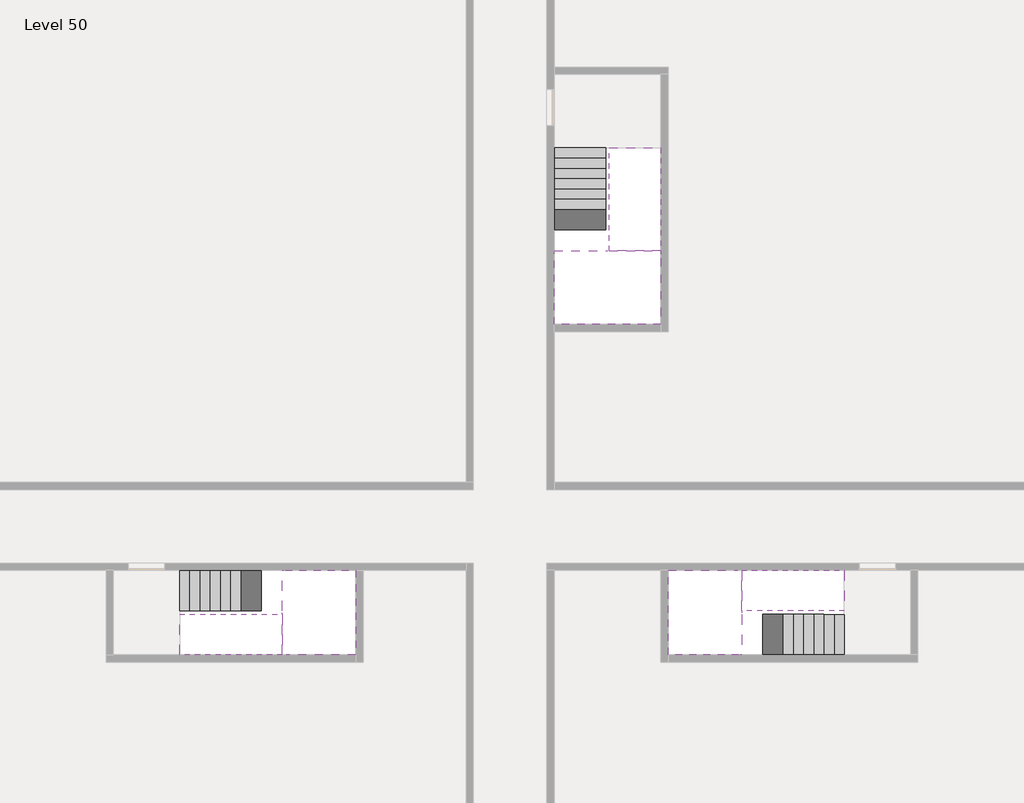
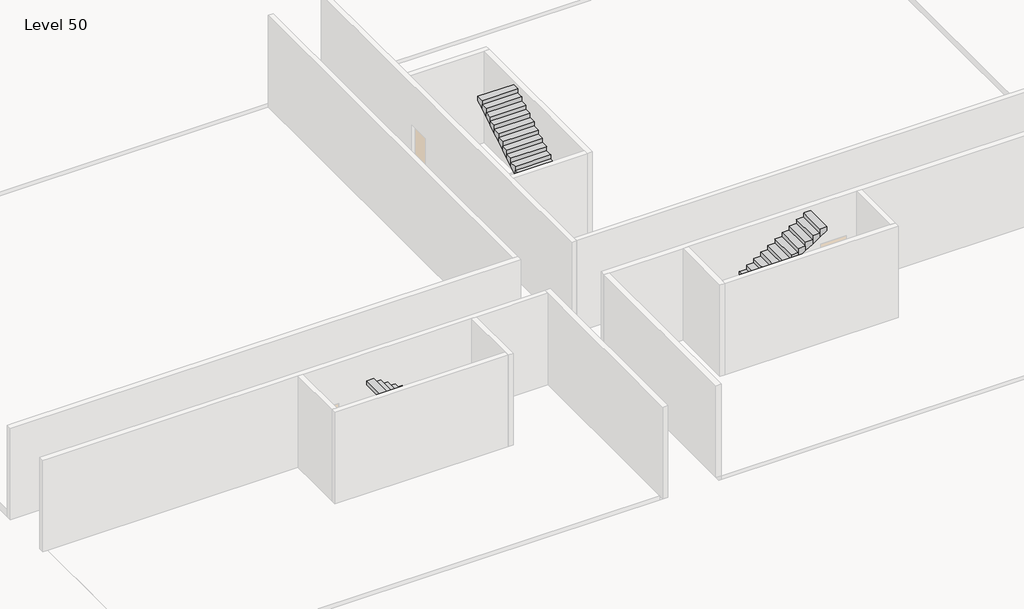
# One storey, part 2 of 2: 6 stair flights, 3 slabs.
"""IFC4 building model written with IfcOpenShell, lengths in millimetres."""

from ifc_helpers import new_model, si_unit, origin, place, context, project, spatial, faceted_brep, element, save

model = new_model("IFC4")

# Units and contexts
model_context = context("Model", 3, world=origin())
ifc_project = project(units=[si_unit("LENGTHUNIT", "METRE", prefix="MILLI")], contexts=[model_context])

# Site, building, storey
site = spatial("IfcSite", under=ifc_project)
building = spatial("IfcBuilding", under=site)
storey = spatial("IfcBuildingStorey", under=building, Name="Level 50", Elevation=186200.0)

# Slabs
placement = place(None, origin())
element("IfcSlab", 1, at=placement, inside=storey, context=model_context, shape_type="Brep", body=[
    faceted_brep([(26790.1058784, -34218.09644, 188100.0), (25390.1058784, -34218.09644, 188100.0), (25390.1058784, -34297.4828763, 188100.0), (25390.1058784, -36218.09644, 188100.0), (28290.1058784, -36218.09644, 188100.0), (28290.1058784, -34418.7100038, 188100.0), (28290.1058784, -34218.09644, 188100.0), (26890.1058784, -34218.09644, 188100.0), (26790.1058784, -34218.09644, 187800.0), (26790.1058784, -34218.09644, 187751.0278478), (25390.1058784, -34218.09644, 187751.0278478), (25390.1058784, -34218.09644, 187927.2727273), (25390.1058784, -34297.4828763, 187800.0), (25390.1058784, -36218.09644, 187800.0), (28290.1058784, -36218.09644, 187800.0), (28290.1058784, -34418.7100038, 187800.0), (28290.1058784, -34218.09644, 187923.7551205), (26890.1058784, -34218.09644, 187923.7551205), (26890.1058784, -34218.09644, 187800.0), (26890.1058784, -34418.7100038, 187800.0), (26790.1058784, -34297.4828763, 187800.0)], [[[0, 1, 2, 3, 4, 5, 6, 7]], [[1, 0, 8, 9, 10, 11]], [[1, 11, 10, 12, 13, 3, 2]], [[4, 3, 13, 14]], [[4, 14, 15, 16, 6, 5]], [[7, 6, 16, 17]], [[0, 7, 17, 18, 8]], [[18, 19, 15, 14, 13, 12, 20, 8]], [[19, 18, 17]], [[20, 12, 10, 9]], [[8, 20, 9]], [[15, 19, 17, 16]]]),
])
element("IfcSlab", 2, at=placement, inside=storey, context=model_context, shape_type="Brep", body=[
    faceted_brep([(30490.1058784, -45218.09644, 188100.0), (30490.1058784, -44118.09644, 188100.0), (30490.1058784, -44018.09644, 188100.0), (30490.1058784, -42918.09644, 188100.0), (30289.4923146, -42918.09644, 188100.0), (28490.1058784, -42918.09644, 188100.0), (28490.1058784, -45218.09644, 188100.0), (30410.7194421, -45218.09644, 188100.0), (30490.1058784, -45218.09644, 187927.2727273), (30490.1058784, -45218.09644, 187751.0278478), (30490.1058784, -44118.09644, 187751.0278478), (30490.1058784, -44118.09644, 187800.0), (30490.1058784, -44018.09644, 187800.0), (30490.1058784, -44018.09644, 187923.7551205), (30490.1058784, -42918.09644, 187923.7551205), (30289.4923146, -42918.09644, 187800.0), (28490.1058784, -42918.09644, 187800.0), (28490.1058784, -45218.09644, 187800.0), (30410.7194421, -45218.09644, 187800.0), (30289.4923146, -44018.09644, 187800.0), (30410.7194421, -44118.09644, 187800.0)], [[[0, 1, 2, 3, 4, 5, 6, 7]], [[1, 0, 8, 9, 10, 11]], [[2, 1, 11, 12, 13]], [[3, 2, 13, 14]], [[3, 14, 15, 16, 5, 4]], [[6, 5, 16, 17]], [[9, 8, 0, 7, 6, 17, 18]], [[19, 12, 11, 20, 18, 17, 16, 15]], [[12, 19, 13]], [[18, 20, 10, 9]], [[20, 11, 10]], [[19, 15, 14, 13]]]),
])
element("IfcSlab", 3, at=placement, inside=storey, context=model_context, shape_type="Brep", body=[
    faceted_brep([(17990.1058784, -42918.09644, 188100.0), (17990.1058784, -44018.09644, 188100.0), (17990.1058784, -44118.09644, 188100.0), (17990.1058784, -45218.09644, 188100.0), (18190.7194421, -45218.09644, 188100.0), (19990.1058784, -45218.09644, 188100.0), (19990.1058784, -42918.09644, 188100.0), (18069.4923146, -42918.09644, 188100.0), (17990.1058784, -42918.09644, 187927.2727273), (17990.1058784, -42918.09644, 187751.0278478), (17990.1058784, -44018.09644, 187751.0278478), (17990.1058784, -44018.09644, 187800.0), (17990.1058784, -44118.09644, 187800.0), (17990.1058784, -44118.09644, 187923.7551205), (17990.1058784, -45218.09644, 187923.7551205), (18190.7194421, -45218.09644, 187800.0), (19990.1058784, -45218.09644, 187800.0), (19990.1058784, -42918.09644, 187800.0), (18069.4923146, -42918.09644, 187800.0), (18190.7194421, -44118.09644, 187800.0), (18069.4923146, -44018.09644, 187800.0)], [[[0, 1, 2, 3, 4, 5, 6, 7]], [[1, 0, 8, 9, 10, 11]], [[2, 1, 11, 12, 13]], [[3, 2, 13, 14]], [[3, 14, 15, 16, 5, 4]], [[6, 5, 16, 17]], [[9, 8, 0, 7, 6, 17, 18]], [[19, 12, 11, 20, 18, 17, 16, 15]], [[12, 19, 13]], [[18, 20, 10, 9]], [[20, 11, 10]], [[19, 15, 14, 13]]]),
])

# Stair flights
element("IfcStairFlight", 4, at=placement, inside=storey, context=model_context, shape_type="Brep", body=[
    faceted_brep([(26790.1058784, -31698.09644, 186372.7272727), (26790.1058784, -31418.09644, 186372.7272727), (25390.1058784, -31418.09644, 186372.7272727), (25390.1058784, -31698.09644, 186372.7272727), (26790.1058784, -31698.09644, 186200.0), (26790.1058784, -31418.09644, 186200.0), (25390.1058784, -31418.09644, 186200.0), (25390.1058784, -31698.09644, 186200.0), (26790.1058784, -31978.09644, 186545.4545455), (26790.1058784, -31698.09644, 186545.4545455), (25390.1058784, -31698.09644, 186545.4545455), (25390.1058784, -31978.09644, 186545.4545455), (26790.1058784, -31978.09644, 186369.209666), (26790.1058784, -31703.7986657, 186200.0), (25390.1058784, -31703.7986657, 186200.0), (25390.1058784, -31978.09644, 186369.209666), (26790.1058784, -32258.09644, 186718.1818182), (26790.1058784, -31978.09644, 186718.1818182), (25390.1058784, -31978.09644, 186718.1818182), (25390.1058784, -32258.09644, 186718.1818182), (26790.1058784, -32258.09644, 186541.9369387), (25390.1058784, -32258.09644, 186541.9369387), (26790.1058784, -32538.09644, 186890.9090909), (26790.1058784, -32258.09644, 186890.9090909), (25390.1058784, -32258.09644, 186890.9090909), (25390.1058784, -32538.09644, 186890.9090909), (26790.1058784, -32538.09644, 186714.6642114), (25390.1058784, -32538.09644, 186714.6642114), (26790.1058784, -32818.09644, 187063.6363636), (26790.1058784, -32538.09644, 187063.6363636), (25390.1058784, -32538.09644, 187063.6363636), (25390.1058784, -32818.09644, 187063.6363636), (26790.1058784, -32818.09644, 186887.3914841), (25390.1058784, -32818.09644, 186887.3914841), (26790.1058784, -33098.09644, 187236.3636364), (26790.1058784, -32818.09644, 187236.3636364), (25390.1058784, -32818.09644, 187236.3636364), (25390.1058784, -33098.09644, 187236.3636364), (26790.1058784, -33098.09644, 187060.1187569), (25390.1058784, -33098.09644, 187060.1187569), (26790.1058784, -33378.09644, 187409.0909091), (26790.1058784, -33098.09644, 187409.0909091), (25390.1058784, -33098.09644, 187409.0909091), (25390.1058784, -33378.09644, 187409.0909091), (26790.1058784, -33378.09644, 187232.8460296), (25390.1058784, -33378.09644, 187232.8460296), (26790.1058784, -33658.09644, 187581.8181818), (26790.1058784, -33378.09644, 187581.8181818), (25390.1058784, -33378.09644, 187581.8181818), (25390.1058784, -33658.09644, 187581.8181818), (26790.1058784, -33658.09644, 187405.5733023), (25390.1058784, -33658.09644, 187405.5733023), (26790.1058784, -33938.09644, 187754.5454545), (26790.1058784, -33658.09644, 187754.5454545), (25390.1058784, -33658.09644, 187754.5454545), (25390.1058784, -33938.09644, 187754.5454545), (26790.1058784, -33938.09644, 187578.3005751), (25390.1058784, -33938.09644, 187578.3005751), (26790.1058784, -34218.09644, 187927.2727273), (26790.1058784, -33938.09644, 187927.2727273), (25390.1058784, -33938.09644, 187927.2727273), (25390.1058784, -34218.09644, 187927.2727273), (26790.1058784, -34218.09644, 187800.0), (26790.1058784, -34218.09644, 187751.0278478), (25390.1058784, -34218.09644, 187751.0278478)], [[[0, 1, 2, 3]], [[1, 0, 4, 5]], [[2, 1, 5, 6]], [[3, 2, 6, 7]], [[8, 9, 10, 11]], [[4, 0, 9, 8, 12, 13]], [[0, 3, 10, 9]], [[3, 7, 14, 15, 11, 10]], [[16, 17, 18, 19]], [[17, 16, 20, 12, 8]], [[8, 11, 18, 17]], [[19, 18, 11, 15, 21]], [[22, 23, 24, 25]], [[23, 22, 26, 20, 16]], [[16, 19, 24, 23]], [[25, 24, 19, 21, 27]], [[28, 29, 30, 31]], [[29, 28, 32, 26, 22]], [[22, 25, 30, 29]], [[31, 30, 25, 27, 33]], [[34, 35, 36, 37]], [[35, 34, 38, 32, 28]], [[28, 31, 36, 35]], [[37, 36, 31, 33, 39]], [[40, 41, 42, 43]], [[41, 40, 44, 38, 34]], [[34, 37, 42, 41]], [[43, 42, 37, 39, 45]], [[46, 47, 48, 49]], [[47, 46, 50, 44, 40]], [[40, 43, 48, 47]], [[49, 48, 43, 45, 51]], [[52, 53, 54, 55]], [[53, 52, 56, 50, 46]], [[46, 49, 54, 53]], [[55, 54, 49, 51, 57]], [[58, 59, 60, 61]], [[59, 58, 62, 63, 56, 52]], [[52, 55, 60, 59]], [[61, 60, 55, 57, 64]], [[58, 61, 64, 63, 62]], [[5, 4, 13, 14, 7, 6]], [[14, 13, 12, 20, 26, 32, 38, 44, 50, 56, 63, 64, 57, 51, 45, 39, 33, 27, 21, 15]]]),
])
element("IfcStairFlight", 5, at=placement, inside=storey, context=model_context, shape_type="Brep", body=[
    faceted_brep([(26890.1058784, -33938.09644, 188272.7272727), (26890.1058784, -34218.09644, 188272.7272727), (28290.1058784, -34218.09644, 188272.7272727), (28290.1058784, -33938.09644, 188272.7272727), (26890.1058784, -33938.09644, 188096.4823932), (26890.1058784, -34218.09644, 187923.7551205), (28290.1058784, -34218.09644, 187923.7551205), (28290.1058784, -34218.09644, 188100.0), (28290.1058784, -33938.09644, 188096.4823932), (26890.1058784, -33658.09644, 188445.4545455), (26890.1058784, -33938.09644, 188445.4545455), (28290.1058784, -33938.09644, 188445.4545455), (28290.1058784, -33658.09644, 188445.4545455), (26890.1058784, -33658.09644, 188269.209666), (28290.1058784, -33658.09644, 188269.209666), (26890.1058784, -33378.09644, 188618.1818182), (26890.1058784, -33658.09644, 188618.1818182), (28290.1058784, -33658.09644, 188618.1818182), (28290.1058784, -33378.09644, 188618.1818182), (26890.1058784, -33378.09644, 188441.9369387), (28290.1058784, -33378.09644, 188441.9369387), (26890.1058784, -33098.09644, 188790.9090909), (26890.1058784, -33378.09644, 188790.9090909), (28290.1058784, -33378.09644, 188790.9090909), (28290.1058784, -33098.09644, 188790.9090909), (26890.1058784, -33098.09644, 188614.6642114), (28290.1058784, -33098.09644, 188614.6642114), (26890.1058784, -32818.09644, 188963.6363636), (26890.1058784, -33098.09644, 188963.6363636), (28290.1058784, -33098.09644, 188963.6363636), (28290.1058784, -32818.09644, 188963.6363636), (26890.1058784, -32818.09644, 188787.3914841), (28290.1058784, -32818.09644, 188787.3914841), (26890.1058784, -32538.09644, 189136.3636364), (26890.1058784, -32818.09644, 189136.3636364), (28290.1058784, -32818.09644, 189136.3636364), (28290.1058784, -32538.09644, 189136.3636364), (26890.1058784, -32538.09644, 188960.1187569), (28290.1058784, -32538.09644, 188960.1187569), (26890.1058784, -32258.09644, 189309.0909091), (26890.1058784, -32538.09644, 189309.0909091), (28290.1058784, -32538.09644, 189309.0909091), (28290.1058784, -32258.09644, 189309.0909091), (26890.1058784, -32258.09644, 189132.8460296), (28290.1058784, -32258.09644, 189132.8460296), (26890.1058784, -31978.09644, 189481.8181818), (26890.1058784, -32258.09644, 189481.8181818), (28290.1058784, -32258.09644, 189481.8181818), (28290.1058784, -31978.09644, 189481.8181818), (26890.1058784, -31978.09644, 189305.5733023), (28290.1058784, -31978.09644, 189305.5733023), (26890.1058784, -31698.09644, 189654.5454545), (26890.1058784, -31978.09644, 189654.5454545), (28290.1058784, -31978.09644, 189654.5454545), (28290.1058784, -31698.09644, 189654.5454545), (26890.1058784, -31698.09644, 189478.3005751), (28290.1058784, -31698.09644, 189478.3005751), (26890.1058784, -31418.09644, 189827.2727273), (26890.1058784, -31698.09644, 189827.2727273), (28290.1058784, -31698.09644, 189827.2727273), (28290.1058784, -31418.09644, 189827.2727273), (26890.1058784, -31418.09644, 189651.0278478), (28290.1058784, -31418.09644, 189651.0278478)], [[[0, 1, 2, 3]], [[1, 0, 4, 5]], [[2, 1, 5, 6, 7]], [[3, 2, 7, 6, 8]], [[9, 10, 11, 12]], [[10, 9, 13, 4, 0]], [[11, 10, 0, 3]], [[12, 11, 3, 8, 14]], [[15, 16, 17, 18]], [[16, 15, 19, 13, 9]], [[17, 16, 9, 12]], [[18, 17, 12, 14, 20]], [[21, 22, 23, 24]], [[22, 21, 25, 19, 15]], [[23, 22, 15, 18]], [[24, 23, 18, 20, 26]], [[27, 28, 29, 30]], [[28, 27, 31, 25, 21]], [[29, 28, 21, 24]], [[30, 29, 24, 26, 32]], [[33, 34, 35, 36]], [[34, 33, 37, 31, 27]], [[35, 34, 27, 30]], [[36, 35, 30, 32, 38]], [[39, 40, 41, 42]], [[40, 39, 43, 37, 33]], [[41, 40, 33, 36]], [[42, 41, 36, 38, 44]], [[45, 46, 47, 48]], [[46, 45, 49, 43, 39]], [[47, 46, 39, 42]], [[48, 47, 42, 44, 50]], [[51, 52, 53, 54]], [[52, 51, 55, 49, 45]], [[53, 52, 45, 48]], [[54, 53, 48, 50, 56]], [[57, 58, 59, 60]], [[58, 57, 61, 55, 51]], [[59, 58, 51, 54]], [[60, 59, 54, 56, 62]], [[57, 60, 62, 61]], [[5, 4, 13, 19, 25, 31, 37, 43, 49, 55, 61, 62, 56, 50, 44, 38, 32, 26, 20, 14, 8, 6]]]),
])
element("IfcStairFlight", 6, at=placement, inside=storey, context=model_context, shape_type="Brep", body=[
    faceted_brep([(33010.1058784, -45218.09644, 186372.7272727), (33290.1058784, -45218.09644, 186372.7272727), (33290.1058784, -44118.09644, 186372.7272727), (33010.1058784, -44118.09644, 186372.7272727), (33010.1058784, -45218.09644, 186200.0), (33290.1058784, -45218.09644, 186200.0), (33290.1058784, -44118.09644, 186200.0), (33010.1058784, -44118.09644, 186200.0), (32730.1058784, -45218.09644, 186545.4545455), (33010.1058784, -45218.09644, 186545.4545455), (33010.1058784, -44118.09644, 186545.4545455), (32730.1058784, -44118.09644, 186545.4545455), (32730.1058784, -45218.09644, 186369.209666), (33004.4036527, -45218.09644, 186200.0), (33004.4036527, -44118.09644, 186200.0), (32730.1058784, -44118.09644, 186369.209666), (32450.1058784, -45218.09644, 186718.1818182), (32730.1058784, -45218.09644, 186718.1818182), (32730.1058784, -44118.09644, 186718.1818182), (32450.1058784, -44118.09644, 186718.1818182), (32450.1058784, -45218.09644, 186541.9369387), (32450.1058784, -44118.09644, 186541.9369387), (32170.1058784, -45218.09644, 186890.9090909), (32450.1058784, -45218.09644, 186890.9090909), (32450.1058784, -44118.09644, 186890.9090909), (32170.1058784, -44118.09644, 186890.9090909), (32170.1058784, -45218.09644, 186714.6642114), (32170.1058784, -44118.09644, 186714.6642114), (31890.1058784, -45218.09644, 187063.6363636), (32170.1058784, -45218.09644, 187063.6363636), (32170.1058784, -44118.09644, 187063.6363636), (31890.1058784, -44118.09644, 187063.6363636), (31890.1058784, -45218.09644, 186887.3914841), (31890.1058784, -44118.09644, 186887.3914841), (31610.1058784, -45218.09644, 187236.3636364), (31890.1058784, -45218.09644, 187236.3636364), (31890.1058784, -44118.09644, 187236.3636364), (31610.1058784, -44118.09644, 187236.3636364), (31610.1058784, -45218.09644, 187060.1187569), (31610.1058784, -44118.09644, 187060.1187569), (31330.1058784, -45218.09644, 187409.0909091), (31610.1058784, -45218.09644, 187409.0909091), (31610.1058784, -44118.09644, 187409.0909091), (31330.1058784, -44118.09644, 187409.0909091), (31330.1058784, -45218.09644, 187232.8460296), (31330.1058784, -44118.09644, 187232.8460296), (31050.1058784, -45218.09644, 187581.8181818), (31330.1058784, -45218.09644, 187581.8181818), (31330.1058784, -44118.09644, 187581.8181818), (31050.1058784, -44118.09644, 187581.8181818), (31050.1058784, -45218.09644, 187405.5733023), (31050.1058784, -44118.09644, 187405.5733023), (30770.1058784, -45218.09644, 187754.5454545), (31050.1058784, -45218.09644, 187754.5454545), (31050.1058784, -44118.09644, 187754.5454545), (30770.1058784, -44118.09644, 187754.5454545), (30770.1058784, -45218.09644, 187578.3005751), (30770.1058784, -44118.09644, 187578.3005751), (30490.1058784, -45218.09644, 187927.2727273), (30770.1058784, -45218.09644, 187927.2727273), (30770.1058784, -44118.09644, 187927.2727273), (30490.1058784, -44118.09644, 187927.2727273), (30490.1058784, -45218.09644, 187751.0278478), (30490.1058784, -44118.09644, 187751.0278478), (30490.1058784, -44118.09644, 187800.0)], [[[0, 1, 2, 3]], [[1, 0, 4, 5]], [[2, 1, 5, 6]], [[3, 2, 6, 7]], [[8, 9, 10, 11]], [[4, 0, 9, 8, 12, 13]], [[0, 3, 10, 9]], [[3, 7, 14, 15, 11, 10]], [[16, 17, 18, 19]], [[17, 16, 20, 12, 8]], [[8, 11, 18, 17]], [[19, 18, 11, 15, 21]], [[22, 23, 24, 25]], [[23, 22, 26, 20, 16]], [[16, 19, 24, 23]], [[25, 24, 19, 21, 27]], [[28, 29, 30, 31]], [[29, 28, 32, 26, 22]], [[22, 25, 30, 29]], [[31, 30, 25, 27, 33]], [[34, 35, 36, 37]], [[35, 34, 38, 32, 28]], [[28, 31, 36, 35]], [[37, 36, 31, 33, 39]], [[40, 41, 42, 43]], [[41, 40, 44, 38, 34]], [[34, 37, 42, 41]], [[43, 42, 37, 39, 45]], [[46, 47, 48, 49]], [[47, 46, 50, 44, 40]], [[40, 43, 48, 47]], [[49, 48, 43, 45, 51]], [[52, 53, 54, 55]], [[53, 52, 56, 50, 46]], [[46, 49, 54, 53]], [[55, 54, 49, 51, 57]], [[58, 59, 60, 61]], [[59, 58, 62, 56, 52]], [[52, 55, 60, 59]], [[61, 60, 55, 57, 63, 64]], [[58, 61, 64, 63, 62]], [[5, 4, 13, 14, 7, 6]], [[14, 13, 12, 20, 26, 32, 38, 44, 50, 56, 62, 63, 57, 51, 45, 39, 33, 27, 21, 15]]]),
])
element("IfcStairFlight", 7, at=placement, inside=storey, context=model_context, shape_type="Brep", body=[
    faceted_brep([(30770.1058784, -42918.09644, 188272.7272727), (30490.1058784, -42918.09644, 188272.7272727), (30490.1058784, -44018.09644, 188272.7272727), (30770.1058784, -44018.09644, 188272.7272727), (30770.1058784, -42918.09644, 188096.4823932), (30490.1058784, -42918.09644, 187923.7551205), (30490.1058784, -42918.09644, 188100.0), (30490.1058784, -44018.09644, 187923.7551205), (30770.1058784, -44018.09644, 188096.4823932), (31050.1058784, -42918.09644, 188445.4545455), (30770.1058784, -42918.09644, 188445.4545455), (30770.1058784, -44018.09644, 188445.4545455), (31050.1058784, -44018.09644, 188445.4545455), (31050.1058784, -42918.09644, 188269.209666), (31050.1058784, -44018.09644, 188269.209666), (31330.1058784, -42918.09644, 188618.1818182), (31050.1058784, -42918.09644, 188618.1818182), (31050.1058784, -44018.09644, 188618.1818182), (31330.1058784, -44018.09644, 188618.1818182), (31330.1058784, -42918.09644, 188441.9369387), (31330.1058784, -44018.09644, 188441.9369387), (31610.1058784, -42918.09644, 188790.9090909), (31330.1058784, -42918.09644, 188790.9090909), (31330.1058784, -44018.09644, 188790.9090909), (31610.1058784, -44018.09644, 188790.9090909), (31610.1058784, -42918.09644, 188614.6642114), (31610.1058784, -44018.09644, 188614.6642114), (31890.1058784, -42918.09644, 188963.6363636), (31610.1058784, -42918.09644, 188963.6363636), (31610.1058784, -44018.09644, 188963.6363636), (31890.1058784, -44018.09644, 188963.6363636), (31890.1058784, -42918.09644, 188787.3914841), (31890.1058784, -44018.09644, 188787.3914841), (32170.1058784, -42918.09644, 189136.3636364), (31890.1058784, -42918.09644, 189136.3636364), (31890.1058784, -44018.09644, 189136.3636364), (32170.1058784, -44018.09644, 189136.3636364), (32170.1058784, -42918.09644, 188960.1187569), (32170.1058784, -44018.09644, 188960.1187569), (32450.1058784, -42918.09644, 189309.0909091), (32170.1058784, -42918.09644, 189309.0909091), (32170.1058784, -44018.09644, 189309.0909091), (32450.1058784, -44018.09644, 189309.0909091), (32450.1058784, -42918.09644, 189132.8460296), (32450.1058784, -44018.09644, 189132.8460296), (32730.1058784, -42918.09644, 189481.8181818), (32450.1058784, -42918.09644, 189481.8181818), (32450.1058784, -44018.09644, 189481.8181818), (32730.1058784, -44018.09644, 189481.8181818), (32730.1058784, -42918.09644, 189305.5733023), (32730.1058784, -44018.09644, 189305.5733023), (33010.1058784, -42918.09644, 189654.5454545), (32730.1058784, -42918.09644, 189654.5454545), (32730.1058784, -44018.09644, 189654.5454545), (33010.1058784, -44018.09644, 189654.5454545), (33010.1058784, -42918.09644, 189478.3005751), (33010.1058784, -44018.09644, 189478.3005751), (33290.1058784, -42918.09644, 189827.2727273), (33010.1058784, -42918.09644, 189827.2727273), (33010.1058784, -44018.09644, 189827.2727273), (33290.1058784, -44018.09644, 189827.2727273), (33290.1058784, -42918.09644, 189651.0278478), (33290.1058784, -44018.09644, 189651.0278478)], [[[0, 1, 2, 3]], [[1, 0, 4, 5, 6]], [[2, 1, 6, 5, 7]], [[3, 2, 7, 8]], [[9, 10, 11, 12]], [[10, 9, 13, 4, 0]], [[11, 10, 0, 3]], [[12, 11, 3, 8, 14]], [[15, 16, 17, 18]], [[16, 15, 19, 13, 9]], [[17, 16, 9, 12]], [[18, 17, 12, 14, 20]], [[21, 22, 23, 24]], [[22, 21, 25, 19, 15]], [[23, 22, 15, 18]], [[24, 23, 18, 20, 26]], [[27, 28, 29, 30]], [[28, 27, 31, 25, 21]], [[29, 28, 21, 24]], [[30, 29, 24, 26, 32]], [[33, 34, 35, 36]], [[34, 33, 37, 31, 27]], [[35, 34, 27, 30]], [[36, 35, 30, 32, 38]], [[39, 40, 41, 42]], [[40, 39, 43, 37, 33]], [[41, 40, 33, 36]], [[42, 41, 36, 38, 44]], [[45, 46, 47, 48]], [[46, 45, 49, 43, 39]], [[47, 46, 39, 42]], [[48, 47, 42, 44, 50]], [[51, 52, 53, 54]], [[52, 51, 55, 49, 45]], [[53, 52, 45, 48]], [[54, 53, 48, 50, 56]], [[57, 58, 59, 60]], [[58, 57, 61, 55, 51]], [[59, 58, 51, 54]], [[60, 59, 54, 56, 62]], [[57, 60, 62, 61]], [[5, 4, 13, 19, 25, 31, 37, 43, 49, 55, 61, 62, 56, 50, 44, 38, 32, 26, 20, 14, 8, 7]]]),
])
element("IfcStairFlight", 8, at=placement, inside=storey, context=model_context, shape_type="Brep", body=[
    faceted_brep([(15470.1058784, -42918.09644, 186372.7272727), (15190.1058784, -42918.09644, 186372.7272727), (15190.1058784, -44018.09644, 186372.7272727), (15470.1058784, -44018.09644, 186372.7272727), (15470.1058784, -42918.09644, 186200.0), (15190.1058784, -42918.09644, 186200.0), (15190.1058784, -44018.09644, 186200.0), (15470.1058784, -44018.09644, 186200.0), (15750.1058784, -42918.09644, 186545.4545455), (15470.1058784, -42918.09644, 186545.4545455), (15470.1058784, -44018.09644, 186545.4545455), (15750.1058784, -44018.09644, 186545.4545455), (15750.1058784, -42918.09644, 186369.209666), (15475.8081041, -42918.09644, 186200.0), (15475.8081041, -44018.09644, 186200.0), (15750.1058784, -44018.09644, 186369.209666), (16030.1058784, -42918.09644, 186718.1818182), (15750.1058784, -42918.09644, 186718.1818182), (15750.1058784, -44018.09644, 186718.1818182), (16030.1058784, -44018.09644, 186718.1818182), (16030.1058784, -42918.09644, 186541.9369387), (16030.1058784, -44018.09644, 186541.9369387), (16310.1058784, -42918.09644, 186890.9090909), (16030.1058784, -42918.09644, 186890.9090909), (16030.1058784, -44018.09644, 186890.9090909), (16310.1058784, -44018.09644, 186890.9090909), (16310.1058784, -42918.09644, 186714.6642114), (16310.1058784, -44018.09644, 186714.6642114), (16590.1058784, -42918.09644, 187063.6363636), (16310.1058784, -42918.09644, 187063.6363636), (16310.1058784, -44018.09644, 187063.6363636), (16590.1058784, -44018.09644, 187063.6363636), (16590.1058784, -42918.09644, 186887.3914841), (16590.1058784, -44018.09644, 186887.3914841), (16870.1058784, -42918.09644, 187236.3636364), (16590.1058784, -42918.09644, 187236.3636364), (16590.1058784, -44018.09644, 187236.3636364), (16870.1058784, -44018.09644, 187236.3636364), (16870.1058784, -42918.09644, 187060.1187569), (16870.1058784, -44018.09644, 187060.1187569), (17150.1058784, -42918.09644, 187409.0909091), (16870.1058784, -42918.09644, 187409.0909091), (16870.1058784, -44018.09644, 187409.0909091), (17150.1058784, -44018.09644, 187409.0909091), (17150.1058784, -42918.09644, 187232.8460296), (17150.1058784, -44018.09644, 187232.8460296), (17430.1058784, -42918.09644, 187581.8181818), (17150.1058784, -42918.09644, 187581.8181818), (17150.1058784, -44018.09644, 187581.8181818), (17430.1058784, -44018.09644, 187581.8181818), (17430.1058784, -42918.09644, 187405.5733023), (17430.1058784, -44018.09644, 187405.5733023), (17710.1058784, -42918.09644, 187754.5454545), (17430.1058784, -42918.09644, 187754.5454545), (17430.1058784, -44018.09644, 187754.5454545), (17710.1058784, -44018.09644, 187754.5454545), (17710.1058784, -42918.09644, 187578.3005751), (17710.1058784, -44018.09644, 187578.3005751), (17990.1058784, -42918.09644, 187927.2727273), (17710.1058784, -42918.09644, 187927.2727273), (17710.1058784, -44018.09644, 187927.2727273), (17990.1058784, -44018.09644, 187927.2727273), (17990.1058784, -42918.09644, 187751.0278478), (17990.1058784, -44018.09644, 187751.0278478), (17990.1058784, -44018.09644, 187800.0)], [[[0, 1, 2, 3]], [[1, 0, 4, 5]], [[2, 1, 5, 6]], [[3, 2, 6, 7]], [[8, 9, 10, 11]], [[4, 0, 9, 8, 12, 13]], [[0, 3, 10, 9]], [[3, 7, 14, 15, 11, 10]], [[16, 17, 18, 19]], [[17, 16, 20, 12, 8]], [[8, 11, 18, 17]], [[19, 18, 11, 15, 21]], [[22, 23, 24, 25]], [[23, 22, 26, 20, 16]], [[16, 19, 24, 23]], [[25, 24, 19, 21, 27]], [[28, 29, 30, 31]], [[29, 28, 32, 26, 22]], [[22, 25, 30, 29]], [[31, 30, 25, 27, 33]], [[34, 35, 36, 37]], [[35, 34, 38, 32, 28]], [[28, 31, 36, 35]], [[37, 36, 31, 33, 39]], [[40, 41, 42, 43]], [[41, 40, 44, 38, 34]], [[34, 37, 42, 41]], [[43, 42, 37, 39, 45]], [[46, 47, 48, 49]], [[47, 46, 50, 44, 40]], [[40, 43, 48, 47]], [[49, 48, 43, 45, 51]], [[52, 53, 54, 55]], [[53, 52, 56, 50, 46]], [[46, 49, 54, 53]], [[55, 54, 49, 51, 57]], [[58, 59, 60, 61]], [[59, 58, 62, 56, 52]], [[52, 55, 60, 59]], [[61, 60, 55, 57, 63, 64]], [[58, 61, 64, 63, 62]], [[5, 4, 13, 14, 7, 6]], [[14, 13, 12, 20, 26, 32, 38, 44, 50, 56, 62, 63, 57, 51, 45, 39, 33, 27, 21, 15]]]),
])
element("IfcStairFlight", 9, at=placement, inside=storey, context=model_context, shape_type="Brep", body=[
    faceted_brep([(17710.1058784, -45218.09644, 188272.7272727), (17990.1058784, -45218.09644, 188272.7272727), (17990.1058784, -44118.09644, 188272.7272727), (17710.1058784, -44118.09644, 188272.7272727), (17710.1058784, -45218.09644, 188096.4823932), (17990.1058784, -45218.09644, 187923.7551205), (17990.1058784, -45218.09644, 188100.0), (17990.1058784, -44118.09644, 187923.7551205), (17710.1058784, -44118.09644, 188096.4823932), (17430.1058784, -45218.09644, 188445.4545455), (17710.1058784, -45218.09644, 188445.4545455), (17710.1058784, -44118.09644, 188445.4545455), (17430.1058784, -44118.09644, 188445.4545455), (17430.1058784, -45218.09644, 188269.209666), (17430.1058784, -44118.09644, 188269.209666), (17150.1058784, -45218.09644, 188618.1818182), (17430.1058784, -45218.09644, 188618.1818182), (17430.1058784, -44118.09644, 188618.1818182), (17150.1058784, -44118.09644, 188618.1818182), (17150.1058784, -45218.09644, 188441.9369387), (17150.1058784, -44118.09644, 188441.9369387), (16870.1058784, -45218.09644, 188790.9090909), (17150.1058784, -45218.09644, 188790.9090909), (17150.1058784, -44118.09644, 188790.9090909), (16870.1058784, -44118.09644, 188790.9090909), (16870.1058784, -45218.09644, 188614.6642114), (16870.1058784, -44118.09644, 188614.6642114), (16590.1058784, -45218.09644, 188963.6363636), (16870.1058784, -45218.09644, 188963.6363636), (16870.1058784, -44118.09644, 188963.6363636), (16590.1058784, -44118.09644, 188963.6363636), (16590.1058784, -45218.09644, 188787.3914841), (16590.1058784, -44118.09644, 188787.3914841), (16310.1058784, -45218.09644, 189136.3636364), (16590.1058784, -45218.09644, 189136.3636364), (16590.1058784, -44118.09644, 189136.3636364), (16310.1058784, -44118.09644, 189136.3636364), (16310.1058784, -45218.09644, 188960.1187569), (16310.1058784, -44118.09644, 188960.1187569), (16030.1058784, -45218.09644, 189309.0909091), (16310.1058784, -45218.09644, 189309.0909091), (16310.1058784, -44118.09644, 189309.0909091), (16030.1058784, -44118.09644, 189309.0909091), (16030.1058784, -45218.09644, 189132.8460296), (16030.1058784, -44118.09644, 189132.8460296), (15750.1058784, -45218.09644, 189481.8181818), (16030.1058784, -45218.09644, 189481.8181818), (16030.1058784, -44118.09644, 189481.8181818), (15750.1058784, -44118.09644, 189481.8181818), (15750.1058784, -45218.09644, 189305.5733023), (15750.1058784, -44118.09644, 189305.5733023), (15470.1058784, -45218.09644, 189654.5454545), (15750.1058784, -45218.09644, 189654.5454545), (15750.1058784, -44118.09644, 189654.5454545), (15470.1058784, -44118.09644, 189654.5454545), (15470.1058784, -45218.09644, 189478.3005751), (15470.1058784, -44118.09644, 189478.3005751), (15190.1058784, -45218.09644, 189827.2727273), (15470.1058784, -45218.09644, 189827.2727273), (15470.1058784, -44118.09644, 189827.2727273), (15190.1058784, -44118.09644, 189827.2727273), (15190.1058784, -45218.09644, 189651.0278478), (15190.1058784, -44118.09644, 189651.0278478)], [[[0, 1, 2, 3]], [[1, 0, 4, 5, 6]], [[2, 1, 6, 5, 7]], [[3, 2, 7, 8]], [[9, 10, 11, 12]], [[10, 9, 13, 4, 0]], [[11, 10, 0, 3]], [[12, 11, 3, 8, 14]], [[15, 16, 17, 18]], [[16, 15, 19, 13, 9]], [[17, 16, 9, 12]], [[18, 17, 12, 14, 20]], [[21, 22, 23, 24]], [[22, 21, 25, 19, 15]], [[23, 22, 15, 18]], [[24, 23, 18, 20, 26]], [[27, 28, 29, 30]], [[28, 27, 31, 25, 21]], [[29, 28, 21, 24]], [[30, 29, 24, 26, 32]], [[33, 34, 35, 36]], [[34, 33, 37, 31, 27]], [[35, 34, 27, 30]], [[36, 35, 30, 32, 38]], [[39, 40, 41, 42]], [[40, 39, 43, 37, 33]], [[41, 40, 33, 36]], [[42, 41, 36, 38, 44]], [[45, 46, 47, 48]], [[46, 45, 49, 43, 39]], [[47, 46, 39, 42]], [[48, 47, 42, 44, 50]], [[51, 52, 53, 54]], [[52, 51, 55, 49, 45]], [[53, 52, 45, 48]], [[54, 53, 48, 50, 56]], [[57, 58, 59, 60]], [[58, 57, 61, 55, 51]], [[59, 58, 51, 54]], [[60, 59, 54, 56, 62]], [[57, 60, 62, 61]], [[5, 4, 13, 19, 25, 31, 37, 43, 49, 55, 61, 62, 56, 50, 44, 38, 32, 26, 20, 14, 8, 7]]]),
])

save(model, "model.ifc")
